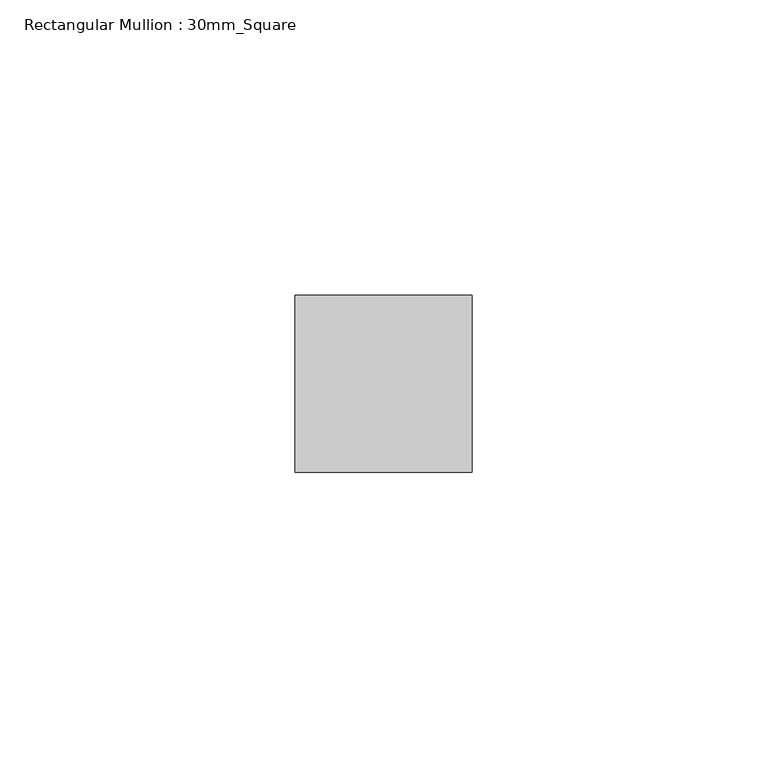
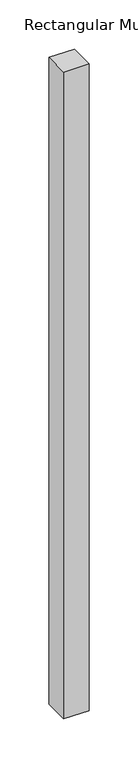
"""IFC4 building model written with IfcOpenShell, lengths in millimetres: member geometry, Rectangular Mullion : 30mm_Square."""

from ifc_helpers import new_model, si_unit, frame, origin, place, context, project, spatial, polyline, outline, extrude, source, transform, mapped, element, save


def rectangular_mullion_30mm_square_57b121de(model_context):
    return source(origin(), model_context, "Body", "SweptSolid", [
        extrude(outline(polyline([(15.0, 15.0), (15.0, -15.0), (-15.0, -15.0), (-15.0, 15.0), (15.0, 15.0)])), frame((0.0, 0.0, -805.0000003), z_axis=(0.0, 0.0, 1.0), x_axis=(1.0, 0.0, 0.0)), (0.0, 0.0, 1.0), 805.0000003),
    ])


if __name__ == "__main__":
    model = new_model("IFC4")
    model_context = context("Model", 3, world=origin())
    ifc_project = project(units=[si_unit("LENGTHUNIT", "METRE", prefix="MILLI")], contexts=[model_context])
    site = spatial("IfcSite", under=ifc_project)
    building = spatial("IfcBuilding", under=site)
    placement = place(None, origin())
    rectangular_mullion_30mm_square_shape = rectangular_mullion_30mm_square_57b121de(model_context)
    element("IfcMember", 1, ObjectType="Rectangular Mullion : 30mm_Square", at=placement, inside=building, context=model_context, shape_type="MappedRepresentation", body=[
        mapped(rectangular_mullion_30mm_square_shape, transform((0.0, 0.0, 0.0), x_axis=(1.0, 0.0, 0.0), y_axis=(0.0, 1.0, 0.0), z_axis=(0.0, 0.0, 1.0))),
    ])
    save(model, "model.ifc")
